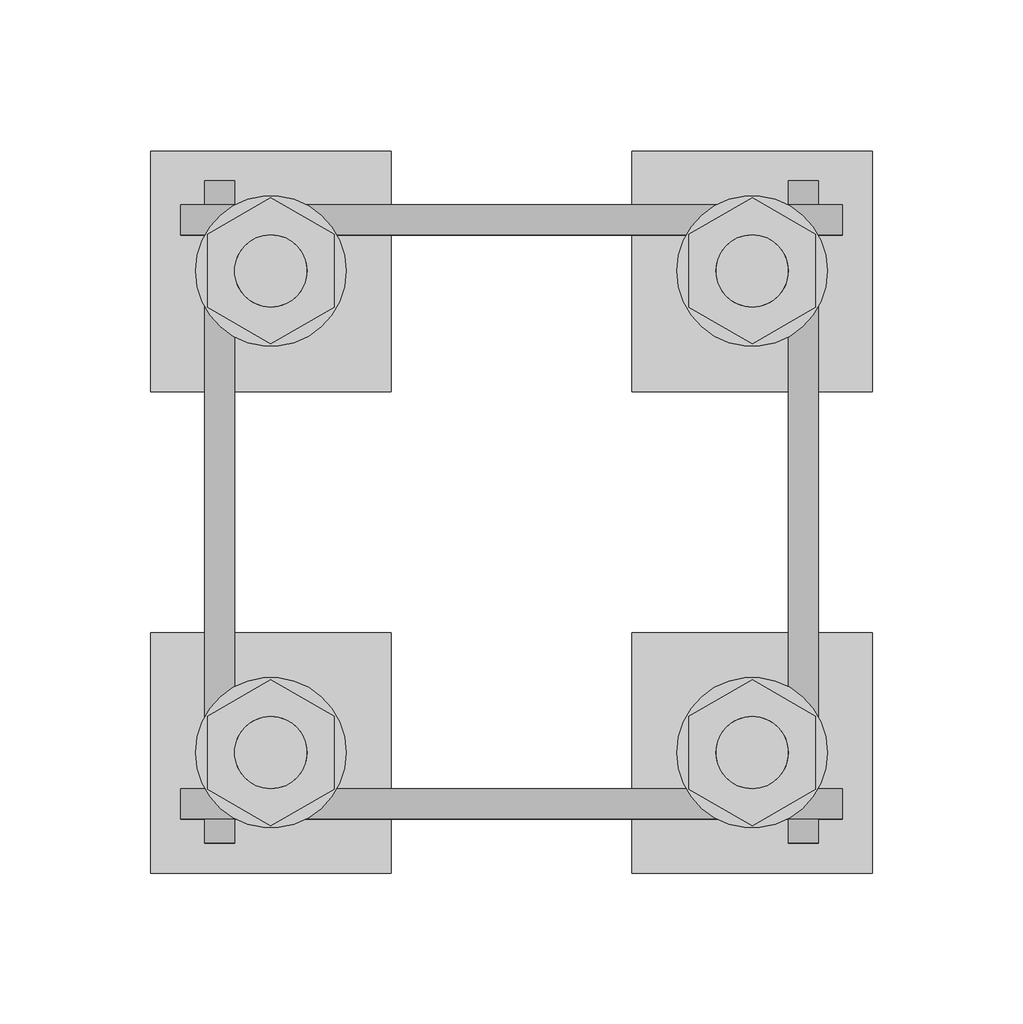
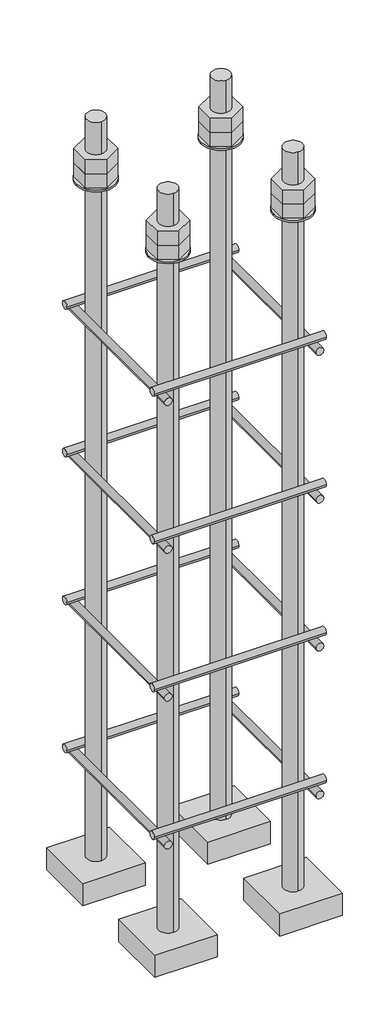
# One storey, part 7 of 66: 1 fastener.
"""IFC4 building model written with IfcOpenShell, lengths in millimetres."""

from ifc_helpers import new_model, si_unit, point, frame, frame_2d, origin, place, context, project, spatial, polyline, circle_curve, trimmed, segment, composite_curve, outline, extrude, element, save
from ifc_brep_helpers import plane_surface, cylinder_surface, advanced_brep

model = new_model("IFC4")

# Units and contexts
model_context = context("Model", 3, world=origin())
ifc_project = project(units=[si_unit("LENGTHUNIT", "METRE", prefix="MILLI")], contexts=[model_context])

# Site, building, storey
site = spatial("IfcSite", under=ifc_project)
building = spatial("IfcBuilding", under=site)
storey = spatial("IfcBuildingStorey", under=building, Elevation=9070.0)

# Fastener
placement = place(None, origin())
element("IfcFastener", 1, ObjectType="AU1 : AU-01", at=placement, inside=storey, context=model_context, shape_type="SolidModel", body=[
    extrude(outline(composite_curve([segment(trimmed(circle_curve(frame_2d((11343.0, 8395.0)), 5.0), [point((11338.0, 8395.0))], [point((11348.0, 8395.0))], False, "CARTESIAN"), True, "CONTINUOUS"), segment(trimmed(circle_curve(frame_2d((11343.0, 8395.0)), 5.0), [point((11348.0, 8395.0))], [point((11338.0, 8395.0))], False, "CARTESIAN"), True, "CONTINUOUS")], self_intersect=False)), frame((27890.0, 0.0, 0.0), z_axis=(1.0, 0.0, 0.0), x_axis=(0.0, 1.0, 0.0)), (0.0, 0.0, 1.0), 220.0),
    extrude(outline(composite_curve([segment(trimmed(circle_curve(frame_2d((11537.0, 8395.0)), 5.0), [point((11542.0, 8395.0))], [point((11532.0, 8395.0))], False, "CARTESIAN"), True, "CONTINUOUS"), segment(trimmed(circle_curve(frame_2d((11537.0, 8395.0)), 5.0), [point((11532.0, 8395.0))], [point((11542.0, 8395.0))], False, "CARTESIAN"), True, "CONTINUOUS")], self_intersect=False)), frame((27890.0, 0.0, 0.0), z_axis=(1.0, 0.0, 0.0), x_axis=(0.0, 1.0, 0.0)), (0.0, 0.0, 1.0), 220.0),
    extrude(outline(composite_curve([segment(trimmed(circle_curve(frame_2d((8385.0, 27903.0)), 5.0), [point((8385.0, 27898.0))], [point((8385.0, 27908.0))], False, "CARTESIAN"), True, "CONTINUOUS"), segment(trimmed(circle_curve(frame_2d((8385.0, 27903.0)), 5.0), [point((8385.0, 27908.0))], [point((8385.0, 27898.0))], False, "CARTESIAN"), True, "CONTINUOUS")], self_intersect=False)), frame((0.0, 11330.0, 0.0), z_axis=(0.0, 1.0, 0.0), x_axis=(0.0, 0.0, 1.0)), (0.0, 0.0, 1.0), 220.0),
    extrude(outline(composite_curve([segment(trimmed(circle_curve(frame_2d((8385.0, 28097.0)), 5.0), [point((8385.0, 28102.0))], [point((8385.0, 28092.0))], False, "CARTESIAN"), True, "CONTINUOUS"), segment(trimmed(circle_curve(frame_2d((8385.0, 28097.0)), 5.0), [point((8385.0, 28092.0))], [point((8385.0, 28102.0))], False, "CARTESIAN"), True, "CONTINUOUS")], self_intersect=False)), frame((0.0, 11330.0, 0.0), z_axis=(0.0, 1.0, 0.0), x_axis=(0.0, 0.0, 1.0)), (0.0, 0.0, 1.0), 220.0),
    extrude(outline(composite_curve([segment(trimmed(circle_curve(frame_2d((11343.0, 8595.0)), 5.0), [point((11338.0, 8595.0))], [point((11348.0, 8595.0))], False, "CARTESIAN"), True, "CONTINUOUS"), segment(trimmed(circle_curve(frame_2d((11343.0, 8595.0)), 5.0), [point((11348.0, 8595.0))], [point((11338.0, 8595.0))], False, "CARTESIAN"), True, "CONTINUOUS")], self_intersect=False)), frame((27890.0, 0.0, 0.0), z_axis=(1.0, 0.0, 0.0), x_axis=(0.0, 1.0, 0.0)), (0.0, 0.0, 1.0), 220.0),
    extrude(outline(composite_curve([segment(trimmed(circle_curve(frame_2d((11537.0, 8595.0)), 5.0), [point((11542.0, 8595.0))], [point((11532.0, 8595.0))], False, "CARTESIAN"), True, "CONTINUOUS"), segment(trimmed(circle_curve(frame_2d((11537.0, 8595.0)), 5.0), [point((11532.0, 8595.0))], [point((11542.0, 8595.0))], False, "CARTESIAN"), True, "CONTINUOUS")], self_intersect=False)), frame((27890.0, 0.0, 0.0), z_axis=(1.0, 0.0, 0.0), x_axis=(0.0, 1.0, 0.0)), (0.0, 0.0, 1.0), 220.0),
    extrude(outline(composite_curve([segment(trimmed(circle_curve(frame_2d((8585.0, 27903.0)), 5.0), [point((8585.0, 27898.0))], [point((8585.0, 27908.0))], False, "CARTESIAN"), True, "CONTINUOUS"), segment(trimmed(circle_curve(frame_2d((8585.0, 27903.0)), 5.0), [point((8585.0, 27908.0))], [point((8585.0, 27898.0))], False, "CARTESIAN"), True, "CONTINUOUS")], self_intersect=False)), frame((0.0, 11330.0, 0.0), z_axis=(0.0, 1.0, 0.0), x_axis=(0.0, 0.0, 1.0)), (0.0, 0.0, 1.0), 220.0),
    extrude(outline(composite_curve([segment(trimmed(circle_curve(frame_2d((8585.0, 28097.0)), 5.0), [point((8585.0, 28102.0))], [point((8585.0, 28092.0))], False, "CARTESIAN"), True, "CONTINUOUS"), segment(trimmed(circle_curve(frame_2d((8585.0, 28097.0)), 5.0), [point((8585.0, 28092.0))], [point((8585.0, 28102.0))], False, "CARTESIAN"), True, "CONTINUOUS")], self_intersect=False)), frame((0.0, 11330.0, 0.0), z_axis=(0.0, 1.0, 0.0), x_axis=(0.0, 0.0, 1.0)), (0.0, 0.0, 1.0), 220.0),
    extrude(outline(composite_curve([segment(trimmed(circle_curve(frame_2d((11343.0, 8795.0)), 5.0), [point((11338.0, 8795.0))], [point((11348.0, 8795.0))], False, "CARTESIAN"), True, "CONTINUOUS"), segment(trimmed(circle_curve(frame_2d((11343.0, 8795.0)), 5.0), [point((11348.0, 8795.0))], [point((11338.0, 8795.0))], False, "CARTESIAN"), True, "CONTINUOUS")], self_intersect=False)), frame((27890.0, 0.0, 0.0), z_axis=(1.0, 0.0, 0.0), x_axis=(0.0, 1.0, 0.0)), (0.0, 0.0, 1.0), 220.0),
    extrude(outline(composite_curve([segment(trimmed(circle_curve(frame_2d((11537.0, 8795.0)), 5.0), [point((11542.0, 8795.0))], [point((11532.0, 8795.0))], False, "CARTESIAN"), True, "CONTINUOUS"), segment(trimmed(circle_curve(frame_2d((11537.0, 8795.0)), 5.0), [point((11532.0, 8795.0))], [point((11542.0, 8795.0))], False, "CARTESIAN"), True, "CONTINUOUS")], self_intersect=False)), frame((27890.0, 0.0, 0.0), z_axis=(1.0, 0.0, 0.0), x_axis=(0.0, 1.0, 0.0)), (0.0, 0.0, 1.0), 220.0),
    extrude(outline(composite_curve([segment(trimmed(circle_curve(frame_2d((8785.0, 27903.0)), 5.0), [point((8785.0, 27898.0))], [point((8785.0, 27908.0))], False, "CARTESIAN"), True, "CONTINUOUS"), segment(trimmed(circle_curve(frame_2d((8785.0, 27903.0)), 5.0), [point((8785.0, 27908.0))], [point((8785.0, 27898.0))], False, "CARTESIAN"), True, "CONTINUOUS")], self_intersect=False)), frame((0.0, 11330.0, 0.0), z_axis=(0.0, 1.0, 0.0), x_axis=(0.0, 0.0, 1.0)), (0.0, 0.0, 1.0), 220.0),
    extrude(outline(composite_curve([segment(trimmed(circle_curve(frame_2d((8785.0, 28097.0)), 5.0), [point((8785.0, 28102.0))], [point((8785.0, 28092.0))], False, "CARTESIAN"), True, "CONTINUOUS"), segment(trimmed(circle_curve(frame_2d((8785.0, 28097.0)), 5.0), [point((8785.0, 28092.0))], [point((8785.0, 28102.0))], False, "CARTESIAN"), True, "CONTINUOUS")], self_intersect=False)), frame((0.0, 11330.0, 0.0), z_axis=(0.0, 1.0, 0.0), x_axis=(0.0, 0.0, 1.0)), (0.0, 0.0, 1.0), 220.0),
    extrude(outline(composite_curve([segment(trimmed(circle_curve(frame_2d((11343.0, 8995.0)), 5.0), [point((11338.0, 8995.0))], [point((11348.0, 8995.0))], False, "CARTESIAN"), True, "CONTINUOUS"), segment(trimmed(circle_curve(frame_2d((11343.0, 8995.0)), 5.0), [point((11348.0, 8995.0))], [point((11338.0, 8995.0))], False, "CARTESIAN"), True, "CONTINUOUS")], self_intersect=False)), frame((27890.0, 0.0, 0.0), z_axis=(1.0, 0.0, 0.0), x_axis=(0.0, 1.0, 0.0)), (0.0, 0.0, 1.0), 220.0),
    extrude(outline(composite_curve([segment(trimmed(circle_curve(frame_2d((11537.0, 8995.0)), 5.0), [point((11542.0, 8995.0))], [point((11532.0, 8995.0))], False, "CARTESIAN"), True, "CONTINUOUS"), segment(trimmed(circle_curve(frame_2d((11537.0, 8995.0)), 5.0), [point((11532.0, 8995.0))], [point((11542.0, 8995.0))], False, "CARTESIAN"), True, "CONTINUOUS")], self_intersect=False)), frame((27890.0, 0.0, 0.0), z_axis=(1.0, 0.0, 0.0), x_axis=(0.0, 1.0, 0.0)), (0.0, 0.0, 1.0), 220.0),
    extrude(outline(composite_curve([segment(trimmed(circle_curve(frame_2d((8985.0, 27903.0)), 5.0), [point((8985.0, 27898.0))], [point((8985.0, 27908.0))], False, "CARTESIAN"), True, "CONTINUOUS"), segment(trimmed(circle_curve(frame_2d((8985.0, 27903.0)), 5.0), [point((8985.0, 27908.0))], [point((8985.0, 27898.0))], False, "CARTESIAN"), True, "CONTINUOUS")], self_intersect=False)), frame((0.0, 11330.0, 0.0), z_axis=(0.0, 1.0, 0.0), x_axis=(0.0, 0.0, 1.0)), (0.0, 0.0, 1.0), 220.0),
    extrude(outline(composite_curve([segment(trimmed(circle_curve(frame_2d((8985.0, 28097.0)), 5.0), [point((8985.0, 28102.0))], [point((8985.0, 28092.0))], False, "CARTESIAN"), True, "CONTINUOUS"), segment(trimmed(circle_curve(frame_2d((8985.0, 28097.0)), 5.0), [point((8985.0, 28092.0))], [point((8985.0, 28102.0))], False, "CARTESIAN"), True, "CONTINUOUS")], self_intersect=False)), frame((0.0, 11330.0, 0.0), z_axis=(0.0, 1.0, 0.0), x_axis=(0.0, 0.0, 1.0)), (0.0, 0.0, 1.0), 220.0),
    advanced_brep(
    [(27960.0, 11560.0, 8250.0), (27880.0, 11560.0, 8250.0), (27880.0, 11480.0, 8250.0), (27960.0, 11480.0, 8250.0), (27920.0, 11508.0, 8250.0), (27920.0, 11532.0, 8250.0), (27960.0, 11560.0, 8220.0), (27960.0, 11480.0, 8220.0), (27880.0, 11480.0, 8220.0), (27880.0, 11560.0, 8220.0), (27920.0, 11532.0, 9250.0), (27920.0, 11508.0, 9250.0)],
    [
        (0, 1),
        (1, 2),
        (2, 3),
        (3, 0),
        (4, 5, circle_curve(frame((27920.0, 11520.0, 8250.0), z_axis=(0.0, 0.0, -1.0), x_axis=(0.0, -1.0, 0.0)), 12.0)),
        (5, 4, circle_curve(frame((27920.0, 11520.0, 8250.0), z_axis=(0.0, 0.0, -1.0), x_axis=(0.0, -1.0, 0.0)), 12.0)),
        (6, 7),
        (7, 8),
        (8, 9),
        (9, 6),
        (0, 6),
        (9, 1),
        (8, 2),
        (7, 3),
        (10, 11, circle_curve(frame((27920.0, 11520.0, 9250.0), z_axis=(0.0, 0.0, 1.0), x_axis=(0.0, -1.0, 0.0)), 12.0)),
        (11, 10, circle_curve(frame((27920.0, 11520.0, 9250.0), z_axis=(0.0, 0.0, 1.0), x_axis=(0.0, -1.0, 0.0)), 12.0)),
        (10, 5),
        (4, 11),
    ],
    [
        plane_surface(frame((27880.0, 11560.0, 8250.0), z_axis=(0.0, 0.0, 1.0), x_axis=(-1.0, 0.0, 0.0))),
        plane_surface(frame((27880.0, 11560.0, 8220.0), z_axis=(0.0, 0.0, -1.0), x_axis=(1.0, 0.0, 0.0))),
        plane_surface(frame((27960.0, 11560.0, 8250.0), z_axis=(0.0, 1.0, 0.0), x_axis=(0.0, 0.0, -1.0))),
        plane_surface(frame((27880.0, 11560.0, 8250.0), z_axis=(-1.0, 0.0, 0.0), x_axis=(0.0, 0.0, -1.0))),
        plane_surface(frame((27880.0, 11480.0, 8250.0), z_axis=(0.0, -1.0, 0.0), x_axis=(0.0, 0.0, -1.0))),
        plane_surface(frame((27960.0, 11480.0, 8250.0), z_axis=(1.0, 0.0, 0.0), x_axis=(0.0, 0.0, -1.0))),
        plane_surface(frame((27920.0, 11520.0, 9250.0), z_axis=(0.0, 0.0, 1.0), x_axis=(0.0, -1.0, 0.0))),
        cylinder_surface(frame((27920.0, 11520.0, 9250.0), z_axis=(0.0, 0.0, 1.0), x_axis=(0.0, -1.0, 0.0)), 12.0),
    ],
    [
        (0, [[1, 2, 3, 4], [5, 6]]),
        (1, [[7, 8, 9, 10]]),
        (2, [[-1, 11, -10, 12]]),
        (3, [[-2, -12, -9, 13]]),
        (4, [[-3, -13, -8, 14]]),
        (5, [[-4, -14, -7, -11]]),
        (6, [[15, 16]]),
        (7, [[-15, 17, -5, 18]]),
        (7, [[-16, -18, -6, -17]]),
    ],
),
    extrude(outline(composite_curve([segment(trimmed(circle_curve(frame_2d((27920.0, 11520.0)), 25.0), [point((27945.0, 11520.0))], [point((27895.0, 11520.0))], False, "CARTESIAN"), True, "CONTINUOUS"), segment(trimmed(circle_curve(frame_2d((27920.0, 11520.0)), 25.0), [point((27895.0, 11520.0))], [point((27945.0, 11520.0))], False, "CARTESIAN"), True, "CONTINUOUS")], self_intersect=False), holes=[composite_curve([segment(trimmed(circle_curve(frame_2d((27920.0, 11520.0)), 12.0), [point((27932.0, 11520.0))], [point((27908.0, 11520.0))], True, "CARTESIAN"), True, "CONTINUOUS"), segment(trimmed(circle_curve(frame_2d((27920.0, 11520.0)), 12.0), [point((27908.0, 11520.0))], [point((27932.0, 11520.0))], True, "CARTESIAN"), True, "CONTINUOUS")], self_intersect=False)]), frame((0.0, 0.0, 9165.0), z_axis=(0.0, 0.0, 1.0), x_axis=(1.0, 0.0, 0.0)), (0.0, 0.0, 1.0), 2.5),
    extrude(outline(polyline([(27920.0, 11544.2487113), (27941.0, 11532.1243557), (27941.0, 11507.8756443), (27920.0, 11495.7512887), (27899.0, 11507.8756443), (27899.0, 11532.1243557), (27920.0, 11544.2487113)]), holes=[composite_curve([segment(trimmed(circle_curve(frame_2d((27920.0, 11520.0)), 12.0), [point((27932.0, 11520.0))], [point((27908.0, 11520.0))], True, "CARTESIAN"), True, "CONTINUOUS"), segment(trimmed(circle_curve(frame_2d((27920.0, 11520.0)), 12.0), [point((27908.0, 11520.0))], [point((27932.0, 11520.0))], True, "CARTESIAN"), True, "CONTINUOUS")], self_intersect=False)]), frame((0.0, 0.0, 9187.0), z_axis=(0.0, 0.0, 1.0), x_axis=(1.0, 0.0, 0.0)), (0.0, 0.0, 1.0), 19.5),
    extrude(outline(polyline([(27920.0, 11544.2487113), (27941.0, 11532.1243557), (27941.0, 11507.8756443), (27920.0, 11495.7512887), (27899.0, 11507.8756443), (27899.0, 11532.1243557), (27920.0, 11544.2487113)]), holes=[composite_curve([segment(trimmed(circle_curve(frame_2d((27920.0, 11520.0)), 12.0), [point((27932.0, 11520.0))], [point((27908.0, 11520.0))], True, "CARTESIAN"), True, "CONTINUOUS"), segment(trimmed(circle_curve(frame_2d((27920.0, 11520.0)), 12.0), [point((27908.0, 11520.0))], [point((27932.0, 11520.0))], True, "CARTESIAN"), True, "CONTINUOUS")], self_intersect=False)]), frame((0.0, 0.0, 9167.5), z_axis=(0.0, 0.0, 1.0), x_axis=(1.0, 0.0, 0.0)), (0.0, 0.0, 1.0), 19.5),
    advanced_brep(
    [(28040.0, 11480.0, 8250.0), (28120.0, 11480.0, 8250.0), (28120.0, 11560.0, 8250.0), (28040.0, 11560.0, 8250.0), (28080.0, 11532.0, 8250.0), (28080.0, 11508.0, 8250.0), (28040.0, 11480.0, 8220.0), (28040.0, 11560.0, 8220.0), (28120.0, 11560.0, 8220.0), (28120.0, 11480.0, 8220.0), (28080.0, 11508.0, 9250.0), (28080.0, 11532.0, 9250.0)],
    [
        (0, 1),
        (1, 2),
        (2, 3),
        (3, 0),
        (4, 5, circle_curve(frame((28080.0, 11520.0, 8250.0), z_axis=(0.0, 0.0, -1.0), x_axis=(0.0, 1.0, 0.0)), 12.0)),
        (5, 4, circle_curve(frame((28080.0, 11520.0, 8250.0), z_axis=(0.0, 0.0, -1.0), x_axis=(0.0, 1.0, 0.0)), 12.0)),
        (6, 7),
        (7, 8),
        (8, 9),
        (9, 6),
        (0, 6),
        (9, 1),
        (8, 2),
        (7, 3),
        (10, 11, circle_curve(frame((28080.0, 11520.0, 9250.0), z_axis=(0.0, 0.0, 1.0), x_axis=(0.0, 1.0, 0.0)), 12.0)),
        (11, 10, circle_curve(frame((28080.0, 11520.0, 9250.0), z_axis=(0.0, 0.0, 1.0), x_axis=(0.0, 1.0, 0.0)), 12.0)),
        (10, 5),
        (4, 11),
    ],
    [
        plane_surface(frame((28120.0, 11480.0, 8250.0), z_axis=(0.0, 0.0, 1.0), x_axis=(1.0, 0.0, 0.0))),
        plane_surface(frame((28120.0, 11480.0, 8220.0), z_axis=(0.0, 0.0, -1.0), x_axis=(-1.0, 0.0, 0.0))),
        plane_surface(frame((28040.0, 11480.0, 8250.0), z_axis=(0.0, -1.0, 0.0), x_axis=(0.0, 0.0, -1.0))),
        plane_surface(frame((28120.0, 11480.0, 8250.0), z_axis=(1.0, 0.0, 0.0), x_axis=(0.0, 0.0, -1.0))),
        plane_surface(frame((28120.0, 11560.0, 8250.0), z_axis=(0.0, 1.0, 0.0), x_axis=(0.0, 0.0, -1.0))),
        plane_surface(frame((28040.0, 11560.0, 8250.0), z_axis=(-1.0, 0.0, 0.0), x_axis=(0.0, 0.0, -1.0))),
        plane_surface(frame((28080.0, 11520.0, 9250.0), z_axis=(0.0, 0.0, 1.0), x_axis=(0.0, 1.0, 0.0))),
        cylinder_surface(frame((28080.0, 11520.0, 9250.0), z_axis=(0.0, 0.0, 1.0), x_axis=(0.0, 1.0, 0.0)), 12.0),
    ],
    [
        (0, [[1, 2, 3, 4], [5, 6]]),
        (1, [[7, 8, 9, 10]]),
        (2, [[-1, 11, -10, 12]]),
        (3, [[-2, -12, -9, 13]]),
        (4, [[-3, -13, -8, 14]]),
        (5, [[-4, -14, -7, -11]]),
        (6, [[15, 16]]),
        (7, [[-15, 17, -5, 18]]),
        (7, [[-16, -18, -6, -17]]),
    ],
),
    extrude(outline(composite_curve([segment(trimmed(circle_curve(frame_2d((28080.0, 11520.0)), 25.0), [point((28055.0, 11520.0))], [point((28105.0, 11520.0))], False, "CARTESIAN"), True, "CONTINUOUS"), segment(trimmed(circle_curve(frame_2d((28080.0, 11520.0)), 25.0), [point((28105.0, 11520.0))], [point((28055.0, 11520.0))], False, "CARTESIAN"), True, "CONTINUOUS")], self_intersect=False), holes=[composite_curve([segment(trimmed(circle_curve(frame_2d((28080.0, 11520.0)), 12.0), [point((28068.0, 11520.0))], [point((28092.0, 11520.0))], True, "CARTESIAN"), True, "CONTINUOUS"), segment(trimmed(circle_curve(frame_2d((28080.0, 11520.0)), 12.0), [point((28092.0, 11520.0))], [point((28068.0, 11520.0))], True, "CARTESIAN"), True, "CONTINUOUS")], self_intersect=False)]), frame((0.0, 0.0, 9165.0), z_axis=(0.0, 0.0, 1.0), x_axis=(1.0, 0.0, 0.0)), (0.0, 0.0, 1.0), 2.5),
    extrude(outline(polyline([(28080.0, 11495.7512887), (28059.0, 11507.8756443), (28059.0, 11532.1243557), (28080.0, 11544.2487113), (28101.0, 11532.1243557), (28101.0, 11507.8756443), (28080.0, 11495.7512887)]), holes=[composite_curve([segment(trimmed(circle_curve(frame_2d((28080.0, 11520.0)), 12.0), [point((28068.0, 11520.0))], [point((28092.0, 11520.0))], True, "CARTESIAN"), True, "CONTINUOUS"), segment(trimmed(circle_curve(frame_2d((28080.0, 11520.0)), 12.0), [point((28092.0, 11520.0))], [point((28068.0, 11520.0))], True, "CARTESIAN"), True, "CONTINUOUS")], self_intersect=False)]), frame((0.0, 0.0, 9187.0), z_axis=(0.0, 0.0, 1.0), x_axis=(1.0, 0.0, 0.0)), (0.0, 0.0, 1.0), 19.5),
    extrude(outline(polyline([(28080.0, 11495.7512887), (28059.0, 11507.8756443), (28059.0, 11532.1243557), (28080.0, 11544.2487113), (28101.0, 11532.1243557), (28101.0, 11507.8756443), (28080.0, 11495.7512887)]), holes=[composite_curve([segment(trimmed(circle_curve(frame_2d((28080.0, 11520.0)), 12.0), [point((28068.0, 11520.0))], [point((28092.0, 11520.0))], True, "CARTESIAN"), True, "CONTINUOUS"), segment(trimmed(circle_curve(frame_2d((28080.0, 11520.0)), 12.0), [point((28092.0, 11520.0))], [point((28068.0, 11520.0))], True, "CARTESIAN"), True, "CONTINUOUS")], self_intersect=False)]), frame((0.0, 0.0, 9167.5), z_axis=(0.0, 0.0, 1.0), x_axis=(1.0, 0.0, 0.0)), (0.0, 0.0, 1.0), 19.5),
    advanced_brep(
    [(28040.0, 11320.0, 8250.0), (28120.0, 11320.0, 8250.0), (28120.0, 11400.0, 8250.0), (28040.0, 11400.0, 8250.0), (28080.0, 11372.0, 8250.0), (28080.0, 11348.0, 8250.0), (28040.0, 11320.0, 8220.0), (28040.0, 11400.0, 8220.0), (28120.0, 11400.0, 8220.0), (28120.0, 11320.0, 8220.0), (28080.0, 11348.0, 9250.0), (28080.0, 11372.0, 9250.0)],
    [
        (0, 1),
        (1, 2),
        (2, 3),
        (3, 0),
        (4, 5, circle_curve(frame((28080.0, 11360.0, 8250.0), z_axis=(0.0, 0.0, -1.0), x_axis=(0.0, 1.0, 0.0)), 12.0)),
        (5, 4, circle_curve(frame((28080.0, 11360.0, 8250.0), z_axis=(0.0, 0.0, -1.0), x_axis=(0.0, 1.0, 0.0)), 12.0)),
        (6, 7),
        (7, 8),
        (8, 9),
        (9, 6),
        (0, 6),
        (9, 1),
        (8, 2),
        (7, 3),
        (10, 11, circle_curve(frame((28080.0, 11360.0, 9250.0), z_axis=(0.0, 0.0, 1.0), x_axis=(0.0, 1.0, 0.0)), 12.0)),
        (11, 10, circle_curve(frame((28080.0, 11360.0, 9250.0), z_axis=(0.0, 0.0, 1.0), x_axis=(0.0, 1.0, 0.0)), 12.0)),
        (10, 5),
        (4, 11),
    ],
    [
        plane_surface(frame((28120.0, 11320.0, 8250.0), z_axis=(0.0, 0.0, 1.0), x_axis=(1.0, 0.0, 0.0))),
        plane_surface(frame((28120.0, 11320.0, 8220.0), z_axis=(0.0, 0.0, -1.0), x_axis=(-1.0, 0.0, 0.0))),
        plane_surface(frame((28040.0, 11320.0, 8250.0), z_axis=(0.0, -1.0, 0.0), x_axis=(0.0, 0.0, -1.0))),
        plane_surface(frame((28120.0, 11320.0, 8250.0), z_axis=(1.0, 0.0, 0.0), x_axis=(0.0, 0.0, -1.0))),
        plane_surface(frame((28120.0, 11400.0, 8250.0), z_axis=(0.0, 1.0, 0.0), x_axis=(0.0, 0.0, -1.0))),
        plane_surface(frame((28040.0, 11400.0, 8250.0), z_axis=(-1.0, 0.0, 0.0), x_axis=(0.0, 0.0, -1.0))),
        plane_surface(frame((28080.0, 11360.0, 9250.0), z_axis=(0.0, 0.0, 1.0), x_axis=(0.0, 1.0, 0.0))),
        cylinder_surface(frame((28080.0, 11360.0, 9250.0), z_axis=(0.0, 0.0, 1.0), x_axis=(0.0, 1.0, 0.0)), 12.0),
    ],
    [
        (0, [[1, 2, 3, 4], [5, 6]]),
        (1, [[7, 8, 9, 10]]),
        (2, [[-1, 11, -10, 12]]),
        (3, [[-2, -12, -9, 13]]),
        (4, [[-3, -13, -8, 14]]),
        (5, [[-4, -14, -7, -11]]),
        (6, [[15, 16]]),
        (7, [[-15, 17, -5, 18]]),
        (7, [[-16, -18, -6, -17]]),
    ],
),
    extrude(outline(composite_curve([segment(trimmed(circle_curve(frame_2d((28080.0, 11360.0)), 25.0), [point((28055.0, 11360.0))], [point((28105.0, 11360.0))], False, "CARTESIAN"), True, "CONTINUOUS"), segment(trimmed(circle_curve(frame_2d((28080.0, 11360.0)), 25.0), [point((28105.0, 11360.0))], [point((28055.0, 11360.0))], False, "CARTESIAN"), True, "CONTINUOUS")], self_intersect=False), holes=[composite_curve([segment(trimmed(circle_curve(frame_2d((28080.0, 11360.0)), 12.0), [point((28068.0, 11360.0))], [point((28092.0, 11360.0))], True, "CARTESIAN"), True, "CONTINUOUS"), segment(trimmed(circle_curve(frame_2d((28080.0, 11360.0)), 12.0), [point((28092.0, 11360.0))], [point((28068.0, 11360.0))], True, "CARTESIAN"), True, "CONTINUOUS")], self_intersect=False)]), frame((0.0, 0.0, 9165.0), z_axis=(0.0, 0.0, 1.0), x_axis=(1.0, 0.0, 0.0)), (0.0, 0.0, 1.0), 2.5),
    extrude(outline(polyline([(28080.0, 11335.7512887), (28059.0, 11347.8756443), (28059.0, 11372.1243557), (28080.0, 11384.2487113), (28101.0, 11372.1243557), (28101.0, 11347.8756443), (28080.0, 11335.7512887)]), holes=[composite_curve([segment(trimmed(circle_curve(frame_2d((28080.0, 11360.0)), 12.0), [point((28068.0, 11360.0))], [point((28092.0, 11360.0))], True, "CARTESIAN"), True, "CONTINUOUS"), segment(trimmed(circle_curve(frame_2d((28080.0, 11360.0)), 12.0), [point((28092.0, 11360.0))], [point((28068.0, 11360.0))], True, "CARTESIAN"), True, "CONTINUOUS")], self_intersect=False)]), frame((0.0, 0.0, 9187.0), z_axis=(0.0, 0.0, 1.0), x_axis=(1.0, 0.0, 0.0)), (0.0, 0.0, 1.0), 19.5),
    extrude(outline(polyline([(28080.0, 11335.7512887), (28059.0, 11347.8756443), (28059.0, 11372.1243557), (28080.0, 11384.2487113), (28101.0, 11372.1243557), (28101.0, 11347.8756443), (28080.0, 11335.7512887)]), holes=[composite_curve([segment(trimmed(circle_curve(frame_2d((28080.0, 11360.0)), 12.0), [point((28068.0, 11360.0))], [point((28092.0, 11360.0))], True, "CARTESIAN"), True, "CONTINUOUS"), segment(trimmed(circle_curve(frame_2d((28080.0, 11360.0)), 12.0), [point((28092.0, 11360.0))], [point((28068.0, 11360.0))], True, "CARTESIAN"), True, "CONTINUOUS")], self_intersect=False)]), frame((0.0, 0.0, 9167.5), z_axis=(0.0, 0.0, 1.0), x_axis=(1.0, 0.0, 0.0)), (0.0, 0.0, 1.0), 19.5),
    advanced_brep(
    [(27960.0, 11400.0, 8250.0), (27880.0, 11400.0, 8250.0), (27880.0, 11320.0, 8250.0), (27960.0, 11320.0, 8250.0), (27920.0, 11348.0, 8250.0), (27920.0, 11372.0, 8250.0), (27960.0, 11400.0, 8220.0), (27960.0, 11320.0, 8220.0), (27880.0, 11320.0, 8220.0), (27880.0, 11400.0, 8220.0), (27920.0, 11372.0, 9250.0), (27920.0, 11348.0, 9250.0)],
    [
        (0, 1),
        (1, 2),
        (2, 3),
        (3, 0),
        (4, 5, circle_curve(frame((27920.0, 11360.0, 8250.0), z_axis=(0.0, 0.0, -1.0), x_axis=(0.0, -1.0, 0.0)), 12.0)),
        (5, 4, circle_curve(frame((27920.0, 11360.0, 8250.0), z_axis=(0.0, 0.0, -1.0), x_axis=(0.0, -1.0, 0.0)), 12.0)),
        (6, 7),
        (7, 8),
        (8, 9),
        (9, 6),
        (0, 6),
        (9, 1),
        (8, 2),
        (7, 3),
        (10, 11, circle_curve(frame((27920.0, 11360.0, 9250.0), z_axis=(0.0, 0.0, 1.0), x_axis=(0.0, -1.0, 0.0)), 12.0)),
        (11, 10, circle_curve(frame((27920.0, 11360.0, 9250.0), z_axis=(0.0, 0.0, 1.0), x_axis=(0.0, -1.0, 0.0)), 12.0)),
        (10, 5),
        (4, 11),
    ],
    [
        plane_surface(frame((27880.0, 11400.0, 8250.0), z_axis=(0.0, 0.0, 1.0), x_axis=(-1.0, 0.0, 0.0))),
        plane_surface(frame((27880.0, 11400.0, 8220.0), z_axis=(0.0, 0.0, -1.0), x_axis=(1.0, 0.0, 0.0))),
        plane_surface(frame((27960.0, 11400.0, 8250.0), z_axis=(0.0, 1.0, 0.0), x_axis=(0.0, 0.0, -1.0))),
        plane_surface(frame((27880.0, 11400.0, 8250.0), z_axis=(-1.0, 0.0, 0.0), x_axis=(0.0, 0.0, -1.0))),
        plane_surface(frame((27880.0, 11320.0, 8250.0), z_axis=(0.0, -1.0, 0.0), x_axis=(0.0, 0.0, -1.0))),
        plane_surface(frame((27960.0, 11320.0, 8250.0), z_axis=(1.0, 0.0, 0.0), x_axis=(0.0, 0.0, -1.0))),
        plane_surface(frame((27920.0, 11360.0, 9250.0), z_axis=(0.0, 0.0, 1.0), x_axis=(0.0, -1.0, 0.0))),
        cylinder_surface(frame((27920.0, 11360.0, 9250.0), z_axis=(0.0, 0.0, 1.0), x_axis=(0.0, -1.0, 0.0)), 12.0),
    ],
    [
        (0, [[1, 2, 3, 4], [5, 6]]),
        (1, [[7, 8, 9, 10]]),
        (2, [[-1, 11, -10, 12]]),
        (3, [[-2, -12, -9, 13]]),
        (4, [[-3, -13, -8, 14]]),
        (5, [[-4, -14, -7, -11]]),
        (6, [[15, 16]]),
        (7, [[-15, 17, -5, 18]]),
        (7, [[-16, -18, -6, -17]]),
    ],
),
    extrude(outline(composite_curve([segment(trimmed(circle_curve(frame_2d((27920.0, 11360.0)), 25.0), [point((27945.0, 11360.0))], [point((27895.0, 11360.0))], False, "CARTESIAN"), True, "CONTINUOUS"), segment(trimmed(circle_curve(frame_2d((27920.0, 11360.0)), 25.0), [point((27895.0, 11360.0))], [point((27945.0, 11360.0))], False, "CARTESIAN"), True, "CONTINUOUS")], self_intersect=False), holes=[composite_curve([segment(trimmed(circle_curve(frame_2d((27920.0, 11360.0)), 12.0), [point((27932.0, 11360.0))], [point((27908.0, 11360.0))], True, "CARTESIAN"), True, "CONTINUOUS"), segment(trimmed(circle_curve(frame_2d((27920.0, 11360.0)), 12.0), [point((27908.0, 11360.0))], [point((27932.0, 11360.0))], True, "CARTESIAN"), True, "CONTINUOUS")], self_intersect=False)]), frame((0.0, 0.0, 9165.0), z_axis=(0.0, 0.0, 1.0), x_axis=(1.0, 0.0, 0.0)), (0.0, 0.0, 1.0), 2.5),
    extrude(outline(polyline([(27920.0, 11384.2487113), (27941.0, 11372.1243557), (27941.0, 11347.8756443), (27920.0, 11335.7512887), (27899.0, 11347.8756443), (27899.0, 11372.1243557), (27920.0, 11384.2487113)]), holes=[composite_curve([segment(trimmed(circle_curve(frame_2d((27920.0, 11360.0)), 12.0), [point((27932.0, 11360.0))], [point((27908.0, 11360.0))], True, "CARTESIAN"), True, "CONTINUOUS"), segment(trimmed(circle_curve(frame_2d((27920.0, 11360.0)), 12.0), [point((27908.0, 11360.0))], [point((27932.0, 11360.0))], True, "CARTESIAN"), True, "CONTINUOUS")], self_intersect=False)]), frame((0.0, 0.0, 9187.0), z_axis=(0.0, 0.0, 1.0), x_axis=(1.0, 0.0, 0.0)), (0.0, 0.0, 1.0), 19.5),
    extrude(outline(polyline([(27920.0, 11384.2487113), (27941.0, 11372.1243557), (27941.0, 11347.8756443), (27920.0, 11335.7512887), (27899.0, 11347.8756443), (27899.0, 11372.1243557), (27920.0, 11384.2487113)]), holes=[composite_curve([segment(trimmed(circle_curve(frame_2d((27920.0, 11360.0)), 12.0), [point((27932.0, 11360.0))], [point((27908.0, 11360.0))], True, "CARTESIAN"), True, "CONTINUOUS"), segment(trimmed(circle_curve(frame_2d((27920.0, 11360.0)), 12.0), [point((27908.0, 11360.0))], [point((27932.0, 11360.0))], True, "CARTESIAN"), True, "CONTINUOUS")], self_intersect=False)]), frame((0.0, 0.0, 9167.5), z_axis=(0.0, 0.0, 1.0), x_axis=(1.0, 0.0, 0.0)), (0.0, 0.0, 1.0), 19.5),
])

save(model, "model.ifc")
